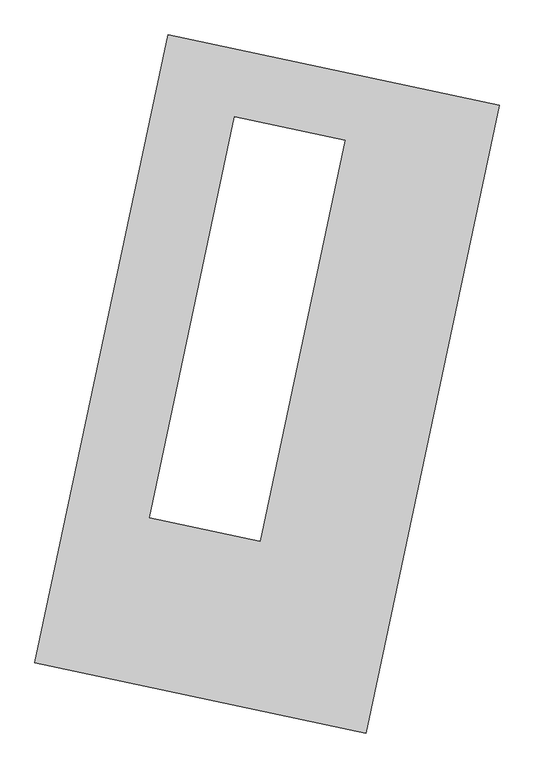
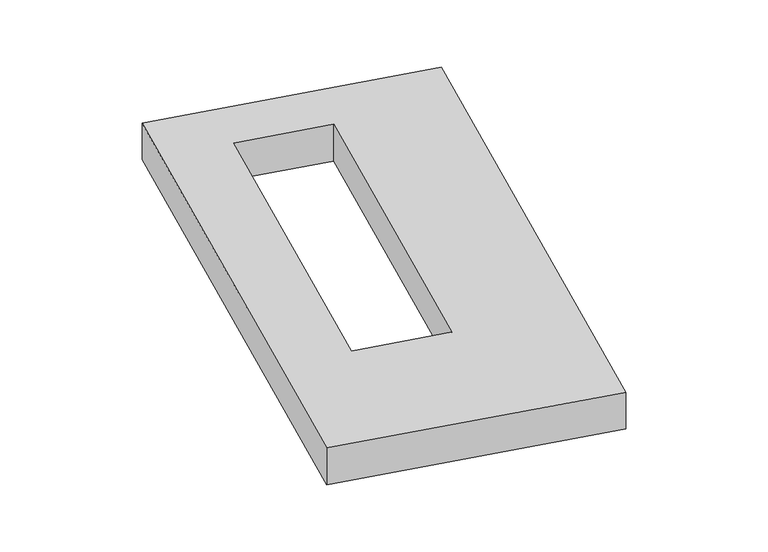
"""IFC4 building model written with IfcOpenShell, lengths in millimetres: proxy geometry."""

from ifc_helpers import new_model, si_unit, origin, origin_with_axes, place, context, project, spatial, polyline, outline, extrude, source, transform, mapped, element, save


def generic_models_6e32e560(model_context):
    return source(origin(), model_context, "Body", "SweptSolid", [
        extrude(outline(polyline([(-617.3692021, 2175.5580432), (1447.7508745, 1737.3010494), (617.3692021, -2175.5580432), (-1447.7508745, -1737.3010494), (-617.3692021, 2175.5580432)]), holes=[polyline([(487.5923507, 1520.6073347), (-202.1844127, 1666.9908279), (-732.9358801, -833.9744199), (-43.1591167, -980.3579131), (487.5923507, 1520.6073347)])]), origin_with_axes(), (0.0, 0.0, 1.0), 300.0),
    ])


if __name__ == "__main__":
    model = new_model("IFC4")
    model_context = context("Model", 3, world=origin())
    ifc_project = project(units=[si_unit("LENGTHUNIT", "METRE", prefix="MILLI")], contexts=[model_context])
    site = spatial("IfcSite", under=ifc_project)
    building = spatial("IfcBuilding", under=site)
    placement = place(None, origin())
    generic_models_shape = generic_models_6e32e560(model_context)
    element("IfcBuildingElementProxy", 1, Name="Generic Models", at=placement, inside=building, context=model_context, shape_type="MappedRepresentation", body=[
        mapped(generic_models_shape, transform((0.0, 0.0, 0.0), x_axis=(1.0, 0.0, 0.0), y_axis=(0.0, 1.0, 0.0), z_axis=(0.0, 0.0, 1.0))),
    ])
    save(model, "model.ifc")
